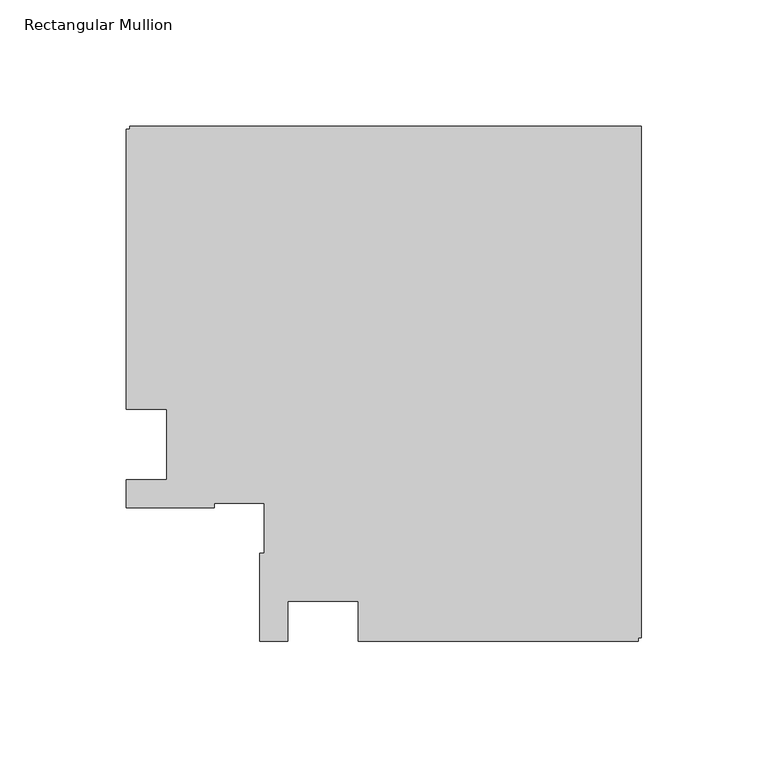
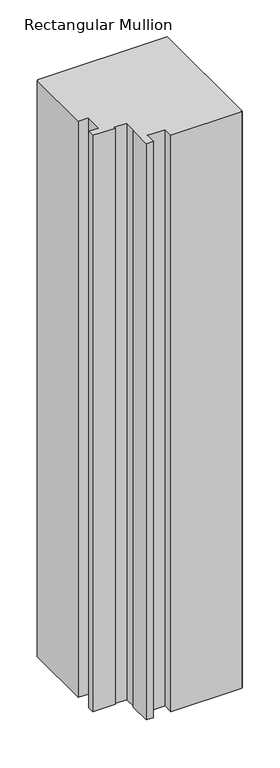
"""IFC4 building model written with IfcOpenShell, lengths in millimetres: member geometry, Rectangular Mullion."""

from ifc_helpers import new_model, si_unit, frame, origin, place, context, project, spatial, polyline, outline, extrude, source, transform, mapped, element, save


def rectangular_mullion_8eed3bc7(model_context):
    return source(origin(), model_context, "Body", "SweptSolid", [
        extrude(outline(polyline([(-112.2039366, -78.0481273), (-112.2039366, -62.0480986), (-140.2039366, -62.0480986), (-140.2039366, -78.0480986), (-151.2040012, -78.0480986), (-151.2040012, -43.0481011), (-149.5136517, -43.0481011), (-149.5136517, -23.3589699), (-169.2039146, -23.3589699), (-169.2039146, -25.0481206), (-204.2039408, -25.0481206), (-204.2039408, -14.0481206), (-188.2039146, -14.0481206), (-188.2039146, 13.95177), (-204.2039408, 13.95177), (-204.2039408, 124.9518583), (-202.703958, 124.9518583), (-202.703958, 126.155816), (0.0, 126.155816), (0.0, -76.548142), (-1.2039366, -76.548142), (-1.2039366, -78.0481273), (-112.2039366, -78.0481273)])), frame((0.0, 0.0, -953.6595328), z_axis=(0.0, 0.0, 1.0), x_axis=(1.0, 0.0, 0.0)), (0.0, 0.0, 1.0), 953.6595328),
    ])


if __name__ == "__main__":
    model = new_model("IFC4")
    model_context = context("Model", 3, world=origin())
    ifc_project = project(units=[si_unit("LENGTHUNIT", "METRE", prefix="MILLI")], contexts=[model_context])
    site = spatial("IfcSite", under=ifc_project)
    building = spatial("IfcBuilding", under=site)
    placement = place(None, origin())
    rectangular_mullion_shape = rectangular_mullion_8eed3bc7(model_context)
    element("IfcMember", 1, ObjectType="Rectangular Mullion", at=placement, inside=building, context=model_context, shape_type="MappedRepresentation", body=[
        mapped(rectangular_mullion_shape, transform((0.0, 0.0, 0.0), x_axis=(1.0, 0.0, 0.0), y_axis=(0.0, 1.0, 0.0), z_axis=(0.0, 0.0, 1.0))),
    ])
    save(model, "model.ifc")
